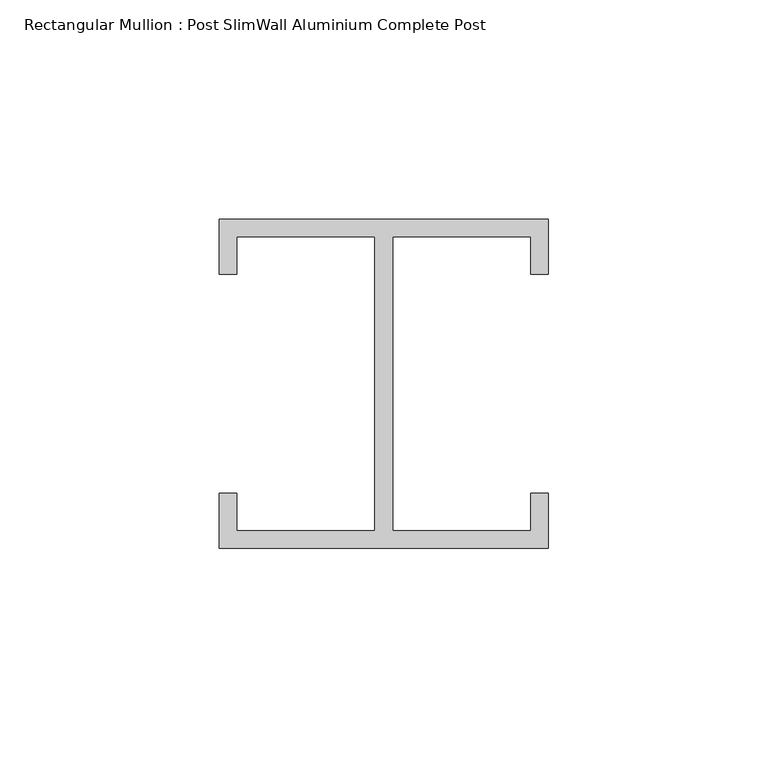
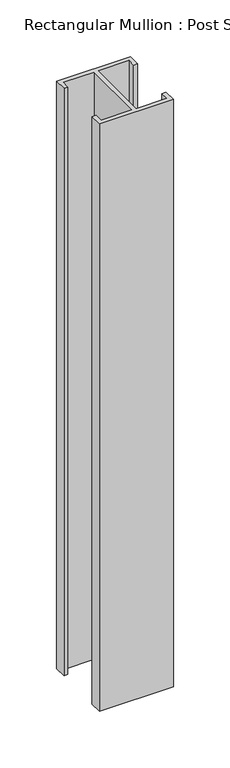
"""IFC4 building model written with IfcOpenShell, lengths in millimetres: member geometry, Rectangular Mullion : Post SlimWall Aluminium Complete Post."""

from ifc_helpers import new_model, si_unit, frame, origin, place, context, project, spatial, polyline, outline, extrude, source, transform, mapped, element, save


def rectangular_mullion_post_slimwall_aluminium_complete_post_06d48264(model_context):
    return source(origin(), model_context, "Body", "SweptSolid", [
        extrude(outline(polyline([(-33.5, 33.5), (-33.5, 25.0), (-37.5, 25.0), (-37.5, 37.5), (37.5, 37.5), (37.5, 25.0), (33.5, 25.0), (33.5, 33.5), (2.0, 33.5), (2.0, -33.5), (33.5, -33.5), (33.5, -25.0), (37.5, -25.0), (37.5, -37.5), (-37.5, -37.5), (-37.5, -25.0), (-33.5, -25.0), (-33.5, -33.5), (-2.0, -33.5), (-2.0, 33.5), (-33.5, 33.5)])), frame((0.0, 0.0, -630.0), z_axis=(0.0, 0.0, 1.0), x_axis=(1.0, 0.0, 0.0)), (0.0, 0.0, 1.0), 630.0),
    ])


if __name__ == "__main__":
    model = new_model("IFC4")
    model_context = context("Model", 3, world=origin())
    ifc_project = project(units=[si_unit("LENGTHUNIT", "METRE", prefix="MILLI")], contexts=[model_context])
    site = spatial("IfcSite", under=ifc_project)
    building = spatial("IfcBuilding", under=site)
    placement = place(None, origin())
    rectangular_mullion_post_slimwall_aluminium_complete_post_shape = rectangular_mullion_post_slimwall_aluminium_complete_post_06d48264(model_context)
    element("IfcMember", 1, ObjectType="Rectangular Mullion : Post SlimWall Aluminium Complete Post", at=placement, inside=building, context=model_context, shape_type="MappedRepresentation", body=[
        mapped(rectangular_mullion_post_slimwall_aluminium_complete_post_shape, transform((0.0, 0.0, 0.0), x_axis=(1.0, 0.0, 0.0), y_axis=(0.0, 1.0, 0.0), z_axis=(0.0, 0.0, 1.0))),
    ])
    save(model, "model.ifc")
